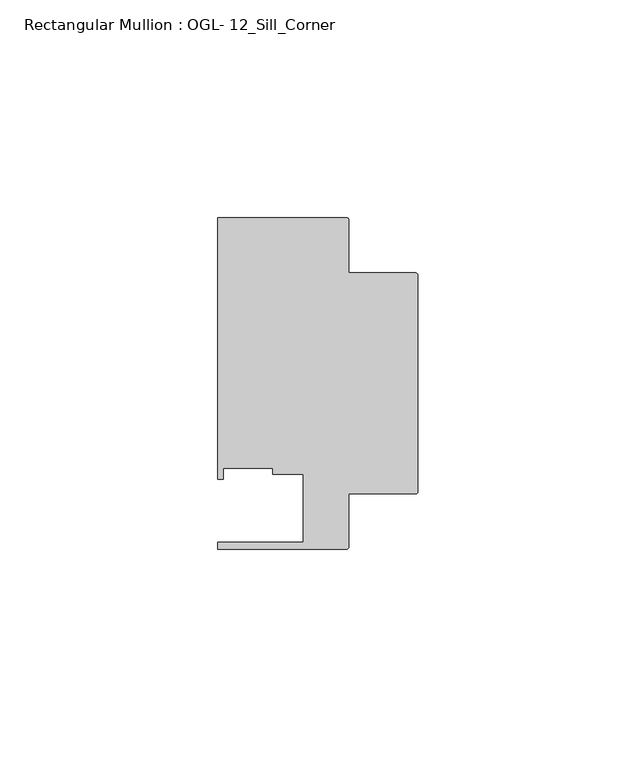
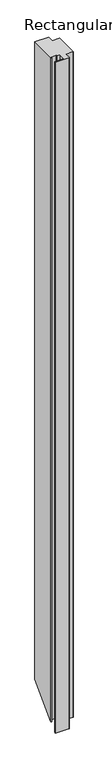
"""IFC4 building model written with IfcOpenShell, lengths in millimetres: member geometry, Rectangular Mullion : OGL- 12_Sill_Corner."""

from ifc_helpers import new_model, si_unit, frame, origin, place, context, project, spatial, circle_curve, ellipse_curve, source, transform, mapped, element, save
from ifc_brep_helpers import plane_surface, cylinder_surface, advanced_brep


def rectangular_mullion_ogl_12_sill_corner_7d4658c2(model_context):
    return source(origin(), model_context, "Body", "AdvancedBrep", [
        advanced_brep(
        [(-0.5953125, 55.5625, 0.0), (-15.8750672, 55.5625, 0.0), (-15.8750672, 67.6668667, 0.0), (-16.4703797, 68.2621792, 0.0), (-46.0339598, 68.2621792, 0.0), (-46.0339598, 8.1914024, 0.0), (-44.7780305, 8.1914024, 0.0), (-44.7780305, 10.6800725, 0.0), (-33.3985545, 10.6800725, 0.0), (-33.3985545, 9.3367652, 0.0), (-26.3720794, 9.3367652, 0.0), (-26.3720794, -6.350016, 0.0), (-46.0248655, -6.350016, 0.0), (-46.0248655, -7.937516, 0.0), (-16.4703797, -7.937516, 0.0), (-15.8750672, -7.3422035, 0.0), (-15.8750672, 4.7625, 0.0), (-0.5953125, 4.7625, 0.0), (0.0, 5.3578125, 0.0), (0.0, 54.9671875, 0.0), (-0.5953125, 55.5625, -1468.4375), (-15.8750672, 55.5625, -1468.4375), (-15.8750672, 67.6668667, -1456.3331333), (-16.4703797, 68.2621792, -1455.7378208), (-46.0339598, 68.2621792, -1455.7378208), (-46.0339598, 8.1914024, -1515.8085976), (-44.7780305, 8.1914024, -1515.8085976), (-44.7780305, 10.6800725, -1513.3199275), (-33.3985545, 10.6800725, -1513.3199275), (-33.3985545, 9.3367652, -1514.6632348), (-26.3720794, 9.3367652, -1514.6632348), (-26.3720794, -6.350016, -1530.350016), (-46.0248655, -6.350016, -1530.350016), (-46.0248655, -7.937516, -1531.937516), (-16.4703797, -7.937516, -1531.937516), (-15.8750672, -7.3422035, -1531.3422035), (-15.8750672, 4.7625, -1519.2375), (-0.5953125, 4.7625, -1519.2375), (0.0, 5.3578125, -1518.6421875), (0.0, 54.9671875, -1469.0328125)],
        [
            (0, 1),
            (1, 2),
            (2, 3, circle_curve(frame((-16.4703797, 67.6668667, 0.0), z_axis=(0.0, 0.0, 1.0), x_axis=(-1.0, 0.0, 0.0)), 0.5953125)),
            (3, 4),
            (4, 5),
            (5, 6),
            (6, 7),
            (7, 8),
            (8, 9),
            (9, 10),
            (10, 11),
            (11, 12),
            (12, 13),
            (13, 14),
            (14, 15, circle_curve(frame((-16.4703797, -7.3422035, 0.0), z_axis=(0.0, 0.0, 1.0), x_axis=(-1.0, 0.0, 0.0)), 0.5953125)),
            (15, 16),
            (16, 17),
            (17, 18, circle_curve(frame((-0.5953125, 5.3578125, 0.0), z_axis=(0.0, 0.0, 1.0), x_axis=(-1.0, 0.0, 0.0)), 0.5953125)),
            (18, 19),
            (19, 0, circle_curve(frame((-0.5953125, 54.9671875, 0.0), z_axis=(0.0, 0.0, 1.0), x_axis=(0.0, 1.0, 0.0)), 0.5953125)),
            (0, 20),
            (20, 21),
            (21, 1),
            (21, 22),
            (22, 2),
            (22, 23, ellipse_curve(frame((-16.4703797, 67.6668667, -1456.3331333), z_axis=(0.0, -0.7071067811865464, 0.7071067811865488), x_axis=(0.0, 0.7071067811865488, 0.7071067811865461)), 0.841899, 0.5953125)),
            (23, 3),
            (23, 24),
            (24, 4),
            (24, 25),
            (25, 5),
            (25, 26),
            (26, 6),
            (26, 27),
            (27, 7),
            (27, 28),
            (28, 8),
            (28, 29),
            (29, 9),
            (29, 30),
            (30, 10),
            (30, 31),
            (31, 11),
            (31, 32),
            (32, 12),
            (32, 33),
            (33, 13),
            (33, 34),
            (34, 14),
            (34, 35, ellipse_curve(frame((-16.4703797, -7.3422035, -1531.3422035), z_axis=(0.0, -0.7071067811865464, 0.7071067811865488), x_axis=(0.0, 0.7071067811865488, 0.7071067811865461)), 0.841899, 0.5953125)),
            (35, 15),
            (35, 36),
            (36, 16),
            (36, 37),
            (37, 17),
            (37, 38, ellipse_curve(frame((-0.5953125, 5.3578125, -1518.6421875), z_axis=(0.0, -0.7071067811865464, 0.7071067811865488), x_axis=(0.0, 0.7071067811865488, 0.7071067811865461)), 0.841899, 0.5953125)),
            (38, 18),
            (38, 39),
            (39, 19),
            (39, 20, ellipse_curve(frame((-0.5953125, 54.9671875, -1469.0328125), z_axis=(0.0, -0.7071067811865464, 0.7071067811865488), x_axis=(0.0, 0.7071067811865488, 0.7071067811865461)), 0.841899, 0.5953125)),
        ],
        [
            plane_surface(frame((0.0, -82.3337754, 0.0), z_axis=(0.0, 0.0, 1.0), x_axis=(-1.0, 0.0, 0.0))),
            plane_surface(frame((-0.5953125, 55.5625, 0.0), z_axis=(0.0, 1.0, 0.0), x_axis=(0.0, 0.0, -1.0))),
            plane_surface(frame((-15.8750672, 55.5625, 0.0), z_axis=(1.0, 0.0, 0.0), x_axis=(0.0, 0.0, -1.0))),
            cylinder_surface(frame((-16.4703797, 67.6668667, 0.0), z_axis=(0.0, 0.0, 1.0), x_axis=(-1.0, 0.0, 0.0)), 0.5953125),
            plane_surface(frame((-16.4703797, 68.2621792, 0.0), z_axis=(0.0, 1.0, 0.0), x_axis=(0.0, 0.0, -1.0))),
            plane_surface(frame((-46.0339598, 68.2621792, 0.0), z_axis=(-1.0, 0.0, 0.0), x_axis=(0.0, 0.0, -1.0))),
            plane_surface(frame((-46.0339598, 8.1914024, 0.0), z_axis=(0.0, -1.0, 0.0), x_axis=(0.0, 0.0, -1.0))),
            plane_surface(frame((-44.7780305, 8.1914024, 0.0), z_axis=(1.0, 0.0, 0.0), x_axis=(0.0, 0.0, -1.0))),
            plane_surface(frame((-44.7780305, 10.6800725, 0.0), z_axis=(0.0, -1.0, 0.0), x_axis=(0.0, 0.0, -1.0))),
            plane_surface(frame((-33.3985545, 10.6800725, 0.0), z_axis=(-1.0, 0.0, 0.0), x_axis=(0.0, 0.0, -1.0))),
            plane_surface(frame((-33.3985545, 9.3367652, 0.0), z_axis=(0.0, -1.0, 0.0), x_axis=(0.0, 0.0, -1.0))),
            plane_surface(frame((-26.3720794, 9.3367652, 0.0), z_axis=(-1.0, 0.0, 0.0), x_axis=(0.0, 0.0, -1.0))),
            plane_surface(frame((-26.3720794, -6.350016, 0.0), z_axis=(0.0, 1.0, 0.0), x_axis=(0.0, 0.0, -1.0))),
            plane_surface(frame((-46.0248655, -6.350016, 0.0), z_axis=(-1.0, 0.0, 0.0), x_axis=(0.0, 0.0, -1.0))),
            plane_surface(frame((-46.0248655, -7.937516, 0.0), z_axis=(0.0, -1.0, 0.0), x_axis=(0.0, 0.0, -1.0))),
            cylinder_surface(frame((-16.4703797, -7.3422035, 0.0), z_axis=(0.0, 0.0, 1.0), x_axis=(-1.0, 0.0, 0.0)), 0.5953125),
            plane_surface(frame((-15.8750672, -7.3422035, 0.0), z_axis=(1.0, 0.0, 0.0), x_axis=(0.0, 0.0, -1.0))),
            plane_surface(frame((-15.8750672, 4.7625, 0.0), z_axis=(0.0, -1.0, 0.0), x_axis=(0.0, 0.0, -1.0))),
            cylinder_surface(frame((-0.5953125, 5.3578125, 0.0), z_axis=(0.0, 0.0, 1.0), x_axis=(-1.0, 0.0, 0.0)), 0.5953125),
            plane_surface(frame((0.0, 5.3578125, 0.0), z_axis=(1.0, 0.0, 0.0), x_axis=(0.0, 0.0, -1.0))),
            cylinder_surface(frame((-0.5953125, 54.9671875, 0.0), z_axis=(0.0, 0.0, 1.0), x_axis=(0.0, 1.0, 0.0)), 0.5953125),
            plane_surface(frame((-304.8, 0.0, -1524.0), z_axis=(0.0, 0.7071067811865464, -0.7071067811865488), x_axis=(0.0, 0.7071067811865488, 0.7071067811865464))),
        ],
        [
            (0, [[1, 2, 3, 4, 5, 6, 7, 8, 9, 10, 11, 12, 13, 14, 15, 16, 17, 18, 19, 20]]),
            (1, [[-1, 21, 22, 23]]),
            (2, [[-2, -23, 24, 25]]),
            (3, [[-3, -25, 26, 27]]),
            (4, [[-4, -27, 28, 29]]),
            (5, [[-5, -29, 30, 31]]),
            (6, [[-6, -31, 32, 33]]),
            (7, [[-7, -33, 34, 35]]),
            (8, [[-8, -35, 36, 37]]),
            (9, [[-9, -37, 38, 39]]),
            (10, [[-10, -39, 40, 41]]),
            (11, [[-11, -41, 42, 43]]),
            (12, [[-12, -43, 44, 45]]),
            (13, [[-13, -45, 46, 47]]),
            (14, [[-14, -47, 48, 49]]),
            (15, [[-15, -49, 50, 51]]),
            (16, [[-16, -51, 52, 53]]),
            (17, [[-17, -53, 54, 55]]),
            (18, [[-18, -55, 56, 57]]),
            (19, [[-19, -57, 58, 59]]),
            (20, [[-20, -59, 60, -21]]),
            (21, [[-60, -58, -56, -54, -52, -50, -48, -46, -44, -42, -40, -38, -36, -34, -32, -30, -28, -26, -24, -22]]),
        ],
    ),
    ])


if __name__ == "__main__":
    model = new_model("IFC4")
    model_context = context("Model", 3, world=origin())
    ifc_project = project(units=[si_unit("LENGTHUNIT", "METRE", prefix="MILLI")], contexts=[model_context])
    site = spatial("IfcSite", under=ifc_project)
    building = spatial("IfcBuilding", under=site)
    placement = place(None, origin())
    rectangular_mullion_ogl_12_sill_corner_shape = rectangular_mullion_ogl_12_sill_corner_7d4658c2(model_context)
    element("IfcMember", 1, ObjectType="Rectangular Mullion : OGL- 12_Sill_Corner", at=placement, inside=building, context=model_context, shape_type="MappedRepresentation", body=[
        mapped(rectangular_mullion_ogl_12_sill_corner_shape, transform((0.0, 0.0, 0.0), x_axis=(1.0, 0.0, 0.0), y_axis=(0.0, 1.0, 0.0), z_axis=(0.0, 0.0, 1.0))),
    ])
    save(model, "model.ifc")
